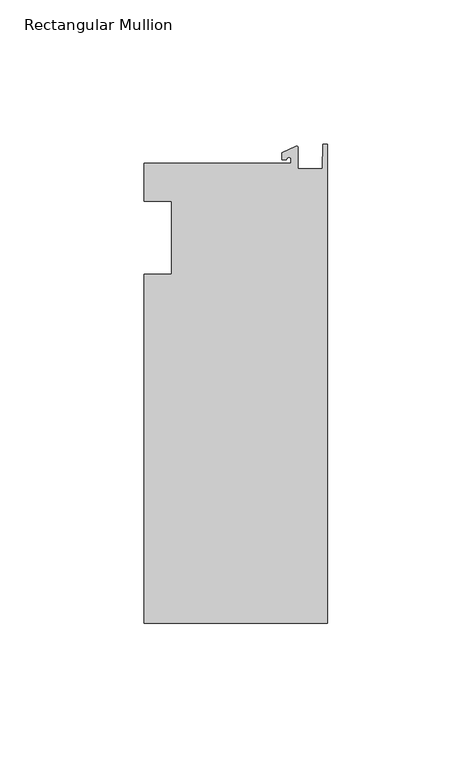
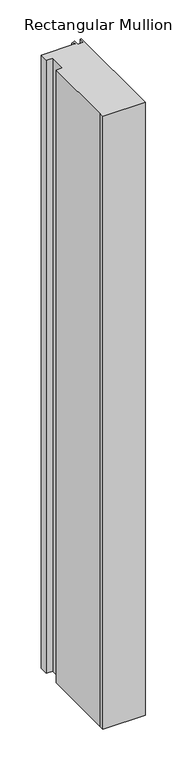
"""IFC4 building model written with IfcOpenShell, lengths in millimetres: member geometry, Rectangular Mullion."""

from ifc_helpers import new_model, si_unit, point, frame, frame_2d, origin, place, context, project, spatial, polyline, circle_curve, trimmed, segment, composite_curve, outline, extrude, source, transform, mapped, element, save


def rectangular_mullion_46c477a9(model_context):
    return source(origin(), model_context, "Body", "SweptSolid", [
        extrude(outline(composite_curve([segment(polyline([(-12.6173814, 25.796875), (-12.6173814, 27.0827507)]), True, "CONTINUOUS"), segment(trimmed(circle_curve(frame_2d((-13.4111314, 27.0827507)), 0.79375), [point((-12.6173814, 27.0827507))], [point((-14.2048814, 27.0827507))], True, "CARTESIAN"), True, "CONTINUOUS"), segment(polyline([(-14.2048814, 27.0827507), (-15.7923814, 27.0827507), (-15.7923814, 29.44495), (-10.9524715, 31.7018371)]), True, "CONTINUOUS"), segment(trimmed(circle_curve(frame_2d((-10.7377814, 31.2414327)), 0.508), [point((-10.9524715, 31.7018371))], [point((-10.2297814, 31.2414327))], False, "CARTESIAN"), True, "CONTINUOUS"), segment(polyline([(-10.2297814, 31.2414327), (-10.2297814, 23.9227662), (-1.7144124, 23.9227662), (-1.5658966, 32.288874), (0.0, 32.288874), (0.0, -133.34365), (-63.5, -133.34365), (-63.5, -125.8114907), (-63.5, -12.7), (-53.975, -12.7), (-53.975, 12.7), (-63.5, 12.7), (-63.5, 25.796875), (-12.6173814, 25.796875)]), True, "CONTINUOUS")], self_intersect=False)), frame((0.0, 0.0, -967.42885), z_axis=(0.0, 0.0, 1.0), x_axis=(1.0, 0.0, 0.0)), (0.0, 0.0, 1.0), 967.42885),
    ])


if __name__ == "__main__":
    model = new_model("IFC4")
    model_context = context("Model", 3, world=origin())
    ifc_project = project(units=[si_unit("LENGTHUNIT", "METRE", prefix="MILLI")], contexts=[model_context])
    site = spatial("IfcSite", under=ifc_project)
    building = spatial("IfcBuilding", under=site)
    placement = place(None, origin())
    rectangular_mullion_shape = rectangular_mullion_46c477a9(model_context)
    element("IfcMember", 1, ObjectType="Rectangular Mullion", at=placement, inside=building, context=model_context, shape_type="MappedRepresentation", body=[
        mapped(rectangular_mullion_shape, transform((0.0, 0.0, 0.0), x_axis=(1.0, 0.0, 0.0), y_axis=(0.0, 1.0, 0.0), z_axis=(0.0, 0.0, 1.0))),
    ])
    save(model, "model.ifc")
